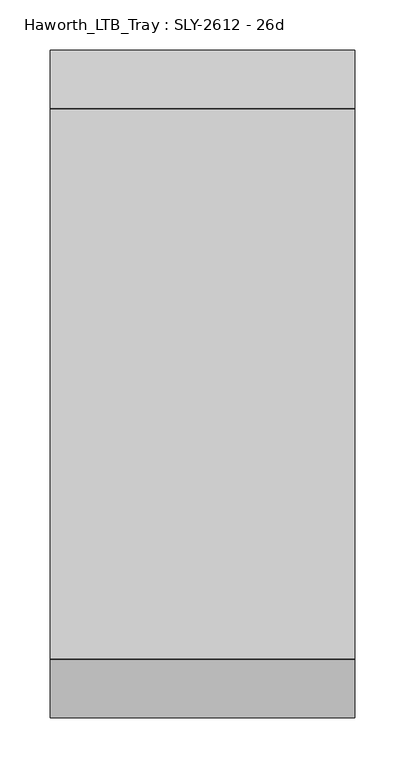
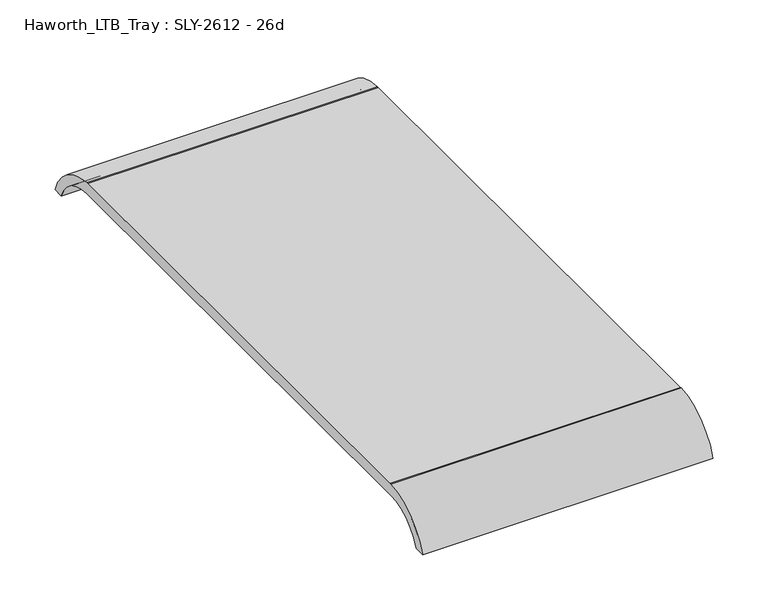
"""IFC4 building model written with IfcOpenShell, lengths in millimetres: furniture geometry, Haworth_LTB_Tray : SLY-2612 - 26d."""

from ifc_helpers import new_model, si_unit, point, frame, frame_2d, origin, place, context, project, spatial, polyline, circle_curve, trimmed, segment, composite_curve, outline, extrude, source, transform, mapped, element, save


def haworth_ltb_tray_sly_2612_26d_5670b327(model_context):
    return source(origin(), model_context, "Body", "SweptSolid", [
        extrude(outline(composite_curve([segment(trimmed(circle_curve(frame_2d((-200.0364582, 375.0527771)), 49.9472261), [point((-200.0364582, 425.0000032))], [point((-246.2503946, 394.0000059))], True, "CARTESIAN"), True, "CONTINUOUS"), segment(polyline([(-246.2503946, 394.0000059), (-257.7464189, 394.0000059)]), True, "CONTINUOUS"), segment(trimmed(circle_curve(frame_2d((-197.9151522, 373.8823502)), 63.1229004), [point((-257.7464189, 394.0000059))], [point((-199.7580648, 436.9783423))], False, "CARTESIAN"), True, "CONTINUOUS"), segment(trimmed(circle_curve(frame_2d((-198.274927, 386.1999974)), 50.8000001), [point((-199.7580648, 436.9783423))], [point((-198.274927, 436.9999975))], False, "CARTESIAN"), True, "CONTINUOUS"), segment(polyline([(-198.274927, 436.9999975), (350.674927, 436.9999975)]), True, "CONTINUOUS"), segment(trimmed(circle_curve(frame_2d((350.674927, 386.1999975)), 50.8), [point((350.674927, 436.9999975))], [point((352.1580648, 436.9783423))], False, "CARTESIAN"), True, "CONTINUOUS"), segment(trimmed(circle_curve(frame_2d((350.3151522, 373.8823502)), 63.1229004), [point((352.1580648, 436.9783423))], [point((410.1464189, 394.0000059))], False, "CARTESIAN"), True, "CONTINUOUS"), segment(polyline([(410.1464189, 394.0000059), (398.6503946, 394.0000059)]), True, "CONTINUOUS"), segment(trimmed(circle_curve(frame_2d((352.4364582, 375.0527771)), 49.9472261), [point((398.6503946, 394.0000059))], [point((352.4364582, 425.0000032))], True, "CARTESIAN"), True, "CONTINUOUS"), segment(polyline([(352.4364582, 425.0000032), (-200.0364582, 425.0000032)]), True, "CONTINUOUS")], self_intersect=False)), frame((393.7, 0.0, 0.0), z_axis=(1.0, 0.0, 0.0), x_axis=(0.0, 1.0, 0.0)), (0.0, 0.0, 1.0), 304.8),
    ])


if __name__ == "__main__":
    model = new_model("IFC4")
    model_context = context("Model", 3, world=origin())
    ifc_project = project(units=[si_unit("LENGTHUNIT", "METRE", prefix="MILLI")], contexts=[model_context])
    site = spatial("IfcSite", under=ifc_project)
    building = spatial("IfcBuilding", under=site)
    placement = place(None, origin())
    haworth_ltb_tray_sly_2612_26d_shape = haworth_ltb_tray_sly_2612_26d_5670b327(model_context)
    element("IfcFurniture", 1, ObjectType="Haworth_LTB_Tray : SLY-2612 - 26d", at=placement, inside=building, context=model_context, shape_type="MappedRepresentation", body=[
        mapped(haworth_ltb_tray_sly_2612_26d_shape, transform((0.0, 0.0, 0.0), x_axis=(1.0, 0.0, 0.0), y_axis=(0.0, 1.0, 0.0), z_axis=(0.0, 0.0, 1.0))),
    ])
    save(model, "model.ifc")
